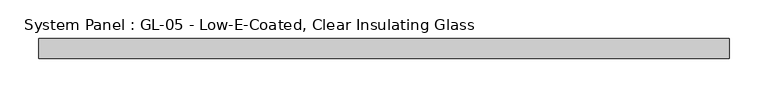
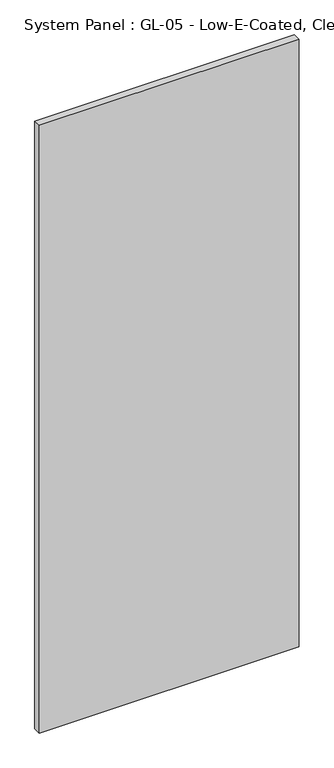
"""IFC4 building model written with IfcOpenShell, lengths in millimetres: plate geometry, System Panel : GL-05 - Low-E-Coated, Clear Insulating Glass."""

from ifc_helpers import new_model, si_unit, origin, origin_with_axes, place, context, project, spatial, polyline, outline, extrude, source, transform, mapped, element, save


def system_panel_gl_05_low_e_coated_clear_insulating_glass_211e10cd(model_context):
    return source(origin(), model_context, "Body", "SweptSolid", [
        extrude(outline(polyline([(442.3833333, -12.7), (-442.3833333, -12.7), (-442.3833333, 12.7), (442.3833333, 12.7), (442.3833333, -12.7)])), origin_with_axes(), (0.0, 0.0, 1.0), 2186.8423077),
    ])


if __name__ == "__main__":
    model = new_model("IFC4")
    model_context = context("Model", 3, world=origin())
    ifc_project = project(units=[si_unit("LENGTHUNIT", "METRE", prefix="MILLI")], contexts=[model_context])
    site = spatial("IfcSite", under=ifc_project)
    building = spatial("IfcBuilding", under=site)
    placement = place(None, origin())
    system_panel_gl_05_low_e_coated_clear_insulating_glass_shape = system_panel_gl_05_low_e_coated_clear_insulating_glass_211e10cd(model_context)
    element("IfcPlate", 1, ObjectType="System Panel : GL-05 - Low-E-Coated, Clear Insulating Glass", at=placement, inside=building, context=model_context, shape_type="MappedRepresentation", body=[
        mapped(system_panel_gl_05_low_e_coated_clear_insulating_glass_shape, transform((0.0, 0.0, 0.0), x_axis=(1.0, 0.0, 0.0), y_axis=(0.0, 1.0, 0.0), z_axis=(0.0, 0.0, 1.0))),
    ])
    save(model, "model.ifc")
